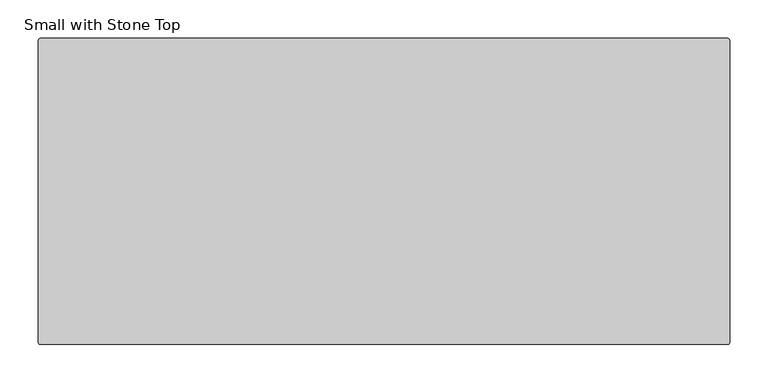
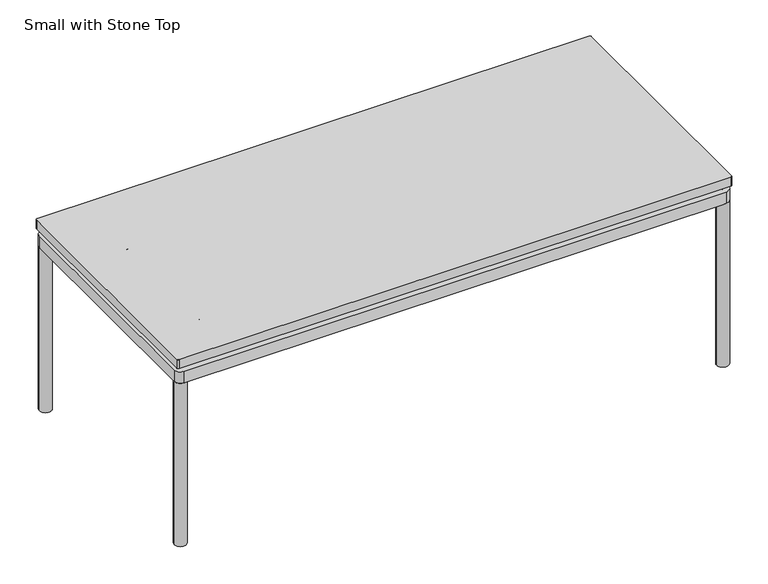
"""IFC4 building model written with IfcOpenShell, lengths in millimetres: furniture geometry, Small with Stone Top."""

from ifc_helpers import new_model, si_unit, point, frame, frame_2d, origin, place, context, project, spatial, polyline, circle_curve, trimmed, segment, composite_curve, outline, extrude, source, transform, mapped, element, save
from ifc_brep_helpers import plane_surface, cylinder_surface, revolved_surface, advanced_brep


def small_with_stone_top_e584b05a(model_context):
    return source(origin(), model_context, "Body", "SolidModel", [
        extrude(outline(composite_curve([segment(trimmed(circle_curve(frame_2d((291.5947118, -95.25)), 2.54), [point((291.5947118, -92.71))], [point((294.1347118, -95.25))], False, "CARTESIAN"), True, "CONTINUOUS"), segment(polyline([(294.1347118, -95.25), (294.1347118, -488.95)]), True, "CONTINUOUS"), segment(trimmed(circle_curve(frame_2d((291.5947118, -488.95)), 2.54), [point((294.1347118, -488.95))], [point((291.5947118, -491.49))], False, "CARTESIAN"), True, "CONTINUOUS"), segment(polyline([(291.5947118, -491.49), (-602.4852882, -491.49)]), True, "CONTINUOUS"), segment(trimmed(circle_curve(frame_2d((-602.4852882, -488.95)), 2.54), [point((-602.4852882, -491.49))], [point((-605.0252882, -488.95))], False, "CARTESIAN"), True, "CONTINUOUS"), segment(polyline([(-605.0252882, -488.95), (-605.0252882, -95.25)]), True, "CONTINUOUS"), segment(trimmed(circle_curve(frame_2d((-602.4852882, -95.25)), 2.54), [point((-605.0252882, -95.25))], [point((-602.4852882, -92.71))], False, "CARTESIAN"), True, "CONTINUOUS"), segment(polyline([(-602.4852882, -92.71), (291.5947118, -92.71)]), True, "CONTINUOUS")], self_intersect=False)), frame((0.0, 0.0, 307.0856929), z_axis=(0.0, 0.0, 1.0), x_axis=(1.0, 0.0, 0.0)), (0.0, 0.0, 1.0), 15.2403071),
        extrude(outline(composite_curve([segment(trimmed(circle_curve(frame_2d((-593.0838099, -104.6599879)), 1.9413078), [point((-595.0251177, -104.6599879))], [point((-593.0838099, -102.7186802))], False, "CARTESIAN"), True, "CONTINUOUS"), segment(polyline([(-593.0838099, -102.7186802), (282.1309315, -102.7186802)]), True, "CONTINUOUS"), segment(trimmed(circle_curve(frame_2d((282.1309315, -104.7258089)), 2.0071288), [point((282.1309315, -102.7186802))], [point((284.1380603, -104.7258089))], False, "CARTESIAN"), True, "CONTINUOUS"), segment(polyline([(284.1380603, -104.7258089), (284.1380603, -479.5002885)]), True, "CONTINUOUS"), segment(trimmed(circle_curve(frame_2d((282.1363356, -479.5002885)), 2.0017246), [point((284.1380603, -479.5002885))], [point((282.1363356, -481.5020131))], False, "CARTESIAN"), True, "CONTINUOUS"), segment(polyline([(282.1363356, -481.5020131), (-595.0251177, -481.5020131), (-595.0251177, -104.6599879)]), True, "CONTINUOUS")], self_intersect=False)), frame((0.0, 0.0, 299.6294223), z_axis=(0.0, 0.0, 1.0), x_axis=(1.0, 0.0, 0.0)), (0.0, 0.0, 1.0), 5.002811),
        advanced_brep(
        [(267.1276141, -117.6971264, 299.6294223), (-578.0202636, -117.6971264, 299.6294223), (-580.0466715, -119.7235343, 299.6294223), (-580.0466715, -464.4689461, 299.6294223), (-577.992051, -466.5235669, 299.6294223), (267.1579775, -466.5237486, 299.6294223), (269.1599045, -464.5218208, 299.6294223), (269.1596141, -119.7291258, 299.6294223), (-565.0231699, -451.5072233, 299.6294223), (-565.0231699, -132.7136516, 299.6294223), (-532.7626081, -132.7136631, 299.6294223), (-532.7626081, -451.5072042, 299.6294223), (-502.5025365, -132.7136738, 299.6294223), (182.0869602, -132.7139167, 299.6294223), (182.0869602, -451.5072042, 299.6294223), (-502.5025365, -451.5072039, 299.6294223), (254.1361125, -451.506969, 299.6294223), (212.3470318, -451.506982, 299.6294223), (212.3470318, -132.7136631, 299.6294223), (254.1358218, -132.7139423, 299.6294223), (267.1276141, -117.6971264, 279.6326959), (269.1596141, -119.7291258, 279.6326959), (269.1599045, -464.5218208, 279.6326959), (267.1579775, -466.5237486, 279.6326959), (-577.992051, -466.5235669, 279.6326959), (-580.0466715, -464.4689461, 279.6326959), (-580.0466715, -119.7235343, 279.6326959), (-578.0202636, -117.6971264, 279.6326959), (254.1361125, -451.506969, 279.6326959), (254.1358218, -132.7139423, 279.6326959), (212.3470318, -132.7139275, 279.6326959), (212.3470318, -451.5072042, 279.6326959), (-565.0231699, -451.5072233, 279.6326959), (-532.7626081, -451.5072133, 279.6326959), (-532.7626081, -132.7136631, 279.6326959), (-565.0231699, -132.7136516, 279.6326959), (182.0869602, -132.7139167, 279.6326959), (-502.5025365, -132.7136738, 279.6326959), (-502.5025365, -451.5072042, 279.6326959), (182.0869602, -451.5069914, 279.6326959)],
        [
            (0, 1),
            (1, 2, circle_curve(frame((-578.0202636, -119.7235343, 299.6294223), z_axis=(0.0, 0.0, 1.0), x_axis=(1.0, 0.0, 0.0)), 2.0264079)),
            (2, 3),
            (3, 4, circle_curve(frame((-577.9920507, -464.4689461, 299.6294223), z_axis=(0.0, 0.0, 1.0), x_axis=(1.0, 0.0, 0.0)), 2.0546208)),
            (4, 5),
            (5, 6, circle_curve(frame((267.1579772, -464.5218214, 299.6294223), z_axis=(0.0, 0.0, 1.0), x_axis=(1.0, 0.0, 0.0)), 2.0019272)),
            (6, 7),
            (7, 0, circle_curve(frame((267.1276141, -119.7291264, 299.6294223), z_axis=(0.0, 0.0, 1.0), x_axis=(1.0, 0.0, 0.0)), 2.032)),
            (8, 9),
            (9, 10),
            (10, 11),
            (11, 8),
            (12, 13),
            (13, 14),
            (14, 15),
            (15, 12),
            (16, 17),
            (17, 18),
            (18, 19),
            (19, 16),
            (20, 21, circle_curve(frame((267.1276141, -119.7291264, 279.6326959), z_axis=(0.0, 0.0, -1.0), x_axis=(1.0, 0.0, 0.0)), 2.032)),
            (21, 22),
            (22, 23, circle_curve(frame((267.1579772, -464.5218214, 279.6326959), z_axis=(0.0, 0.0, -1.0), x_axis=(1.0, 0.0, 0.0)), 2.0019272)),
            (23, 24),
            (24, 25, circle_curve(frame((-577.9920507, -464.4689461, 279.6326959), z_axis=(0.0, 0.0, -1.0), x_axis=(1.0, 0.0, 0.0)), 2.0546208)),
            (25, 26),
            (26, 27, circle_curve(frame((-578.0202636, -119.7235343, 279.6326959), z_axis=(0.0, 0.0, -1.0), x_axis=(1.0, 0.0, 0.0)), 2.0264079)),
            (27, 20),
            (28, 29),
            (29, 30),
            (30, 31),
            (31, 28),
            (32, 33),
            (33, 34),
            (34, 35),
            (35, 32),
            (36, 37),
            (37, 38),
            (38, 39),
            (39, 36),
            (0, 20),
            (27, 1),
            (26, 2),
            (25, 3),
            (24, 4),
            (23, 5),
            (22, 6),
            (21, 7),
            (8, 32),
            (35, 9),
            (12, 37),
            (36, 13),
            (34, 10),
            (29, 19),
            (18, 30),
            (28, 16),
            (14, 39),
            (38, 15),
            (11, 33),
            (31, 17),
        ],
        [
            plane_surface(frame((-578.0202636, -117.6971264, 299.6294223), z_axis=(0.0, 0.0, 1.0), x_axis=(-1.0, 0.0, 0.0))),
            plane_surface(frame((-578.0202636, -117.6971264, 279.6326959), z_axis=(0.0, 0.0, -1.0), x_axis=(1.0, 0.0, 0.0))),
            plane_surface(frame((267.1276141, -117.6971264, 299.6294223), z_axis=(0.0, 1.0, 0.0), x_axis=(0.0, 0.0, -1.0))),
            cylinder_surface(frame((-578.0202636, -119.7235343, 279.6326959), z_axis=(0.0, 0.0, 1.0), x_axis=(1.0, 0.0, 0.0)), 2.0264079),
            plane_surface(frame((-580.0466715, -119.7235343, 299.6294223), z_axis=(-1.0, 0.0, 0.0), x_axis=(0.0, 0.0, -1.0))),
            cylinder_surface(frame((-577.9920507, -464.4689461, 279.6326959), z_axis=(0.0, 0.0, 1.0), x_axis=(1.0, 0.0, 0.0)), 2.0546208),
            plane_surface(frame((-577.992051, -466.5235669, 299.6294223), z_axis=(-2.1495107938605697e-07, -0.9999999999999769, 0.0), x_axis=(0.0, 0.0, -1.0))),
            cylinder_surface(frame((267.1579772, -464.5218214, 279.6326959), z_axis=(0.0, 0.0, 1.0), x_axis=(1.0, 0.0, 0.0)), 2.0019272),
            plane_surface(frame((269.1599045, -464.5218208, 299.6294223), z_axis=(0.9999999999996454, 8.421789670458425e-07, 0.0), x_axis=(0.0, 0.0, -1.0))),
            cylinder_surface(frame((267.1276141, -119.7291264, 279.6326959), z_axis=(0.0, 0.0, 1.0), x_axis=(1.0, 0.0, 0.0)), 2.032),
            plane_surface(frame((-565.0231699, -451.5072233, 299.6294223), z_axis=(1.0, 0.0, 0.0), x_axis=(0.0, 0.0, -1.0))),
            plane_surface(frame((-565.0231699, -132.7136516, 299.6294223), z_axis=(-3.5485165641990404e-07, -0.999999999999937, 0.0), x_axis=(0.0, 0.0, -1.0))),
            plane_surface(frame((254.1358218, -132.7139423, 299.6294223), z_axis=(-0.9999999999995843, -9.118139700497618e-07, 0.0), x_axis=(0.0, 0.0, -1.0))),
            plane_surface(frame((254.1361125, -451.506969, 299.6294223), z_axis=(-3.104950969437019e-07, 0.9999999999999518, 0.0), x_axis=(0.0, 0.0, -1.0))),
            plane_surface(frame((-532.7626081, -132.7136631, 299.6294223), z_axis=(-1.0, 0.0, 0.0), x_axis=(0.0, 0.0, -1.0))),
            plane_surface(frame((-502.5025365, -451.5072042, 299.6294223), z_axis=(1.0, 0.0, 0.0), x_axis=(0.0, 0.0, -1.0))),
            plane_surface(frame((182.0869602, -132.7136631, 299.6294223), z_axis=(-1.0, 0.0, 0.0), x_axis=(0.0, 0.0, -1.0))),
            plane_surface(frame((212.3470318, -451.5072042, 299.6294223), z_axis=(1.0, 0.0, 0.0), x_axis=(0.0, 0.0, -1.0))),
        ],
        [
            (0, [[1, 2, 3, 4, 5, 6, 7, 8], [9, 10, 11, 12], [13, 14, 15, 16], [17, 18, 19, 20]]),
            (1, [[21, 22, 23, 24, 25, 26, 27, 28], [29, 30, 31, 32], [33, 34, 35, 36], [37, 38, 39, 40]]),
            (2, [[-1, 41, -28, 42]]),
            (3, [[-2, -42, -27, 43]]),
            (4, [[-3, -43, -26, 44]]),
            (5, [[-4, -44, -25, 45]]),
            (6, [[-5, -45, -24, 46]]),
            (7, [[-6, -46, -23, 47]]),
            (8, [[-7, -47, -22, 48]]),
            (9, [[-8, -48, -21, -41]]),
            (10, [[-9, 49, -36, 50]]),
            (11, [[-13, 51, -37, 52]]),
            (11, [[-50, -35, 53, -10]]),
            (11, [[54, -19, 55, -30]]),
            (12, [[-20, -54, -29, 56]]),
            (13, [[-15, 57, -39, 58]]),
            (13, [[-49, -12, 59, -33]]),
            (13, [[-56, -32, 60, -17]]),
            (14, [[-11, -53, -34, -59]]),
            (15, [[-16, -58, -38, -51]]),
            (16, [[-14, -52, -40, -57]]),
            (17, [[-18, -60, -31, -55]]),
        ],
    ),
        extrude(outline(composite_curve([segment(trimmed(circle_curve(frame_2d((-534.0870283, -218.2183995)), 0.8405923), [point((-533.7147282, -218.9720493))], [point((-534.7862746, -218.6849293))], False, "CARTESIAN"), True, "CONTINUOUS"), segment(trimmed(circle_curve(frame_2d((-515.5508304, -202.6946527)), 25.0138214), [point((-534.7862746, -218.6849293))], [point((-539.0165383, -211.3578977))], False, "CARTESIAN"), True, "CONTINUOUS"), segment(trimmed(circle_curve(frame_2d((-538.0414872, -211.046606)), 1.0235365), [point((-539.0165383, -211.3578977))], [point((-538.6155102, -210.1991836))], False, "CARTESIAN"), True, "CONTINUOUS"), segment(trimmed(circle_curve(frame_2d((-558.9358484, -180.2005415)), 36.2330605), [point((-538.6155102, -210.1991836))], [point((-522.7960931, -182.7991496))], True, "CARTESIAN"), True, "CONTINUOUS"), segment(trimmed(circle_curve(frame_2d((-521.7765383, -182.8724601)), 1.0221871), [point((-522.7960931, -182.7991496))], [point((-521.9854206, -181.8718429))], False, "CARTESIAN"), True, "CONTINUOUS"), segment(trimmed(circle_curve(frame_2d((-517.7628586, -202.0993497)), 20.6635442), [point((-521.9854206, -181.8718429))], [point((-513.5402966, -181.8718429))], False, "CARTESIAN"), True, "CONTINUOUS"), segment(trimmed(circle_curve(frame_2d((-513.7492648, -182.872872)), 1.0226079), [point((-513.5402966, -181.8718429))], [point((-512.7292996, -182.7994026))], False, "CARTESIAN"), True, "CONTINUOUS"), segment(trimmed(circle_curve(frame_2d((-477.3402021, -180.6341833)), 35.4552732), [point((-512.7292996, -182.7994026))], [point((-496.9098857, -210.1994311))], True, "CARTESIAN"), True, "CONTINUOUS"), segment(trimmed(circle_curve(frame_2d((-497.4226157, -211.0249738)), 0.971809), [point((-496.9098857, -210.1994311))], [point((-496.5128177, -211.366559))], False, "CARTESIAN"), True, "CONTINUOUS"), segment(trimmed(circle_curve(frame_2d((-520.6585547, -202.3010012)), 25.79149), [point((-496.5128177, -211.366559))], [point((-500.7346829, -218.6790439))], False, "CARTESIAN"), True, "CONTINUOUS"), segment(trimmed(circle_curve(frame_2d((-501.4793666, -218.0668907)), 0.9639946), [point((-500.7346829, -218.6790439))], [point((-501.810989, -218.9720493))], False, "CARTESIAN"), True, "CONTINUOUS"), segment(trimmed(circle_curve(frame_2d((-517.7628586, -251.2635341)), 36.0166924), [point((-501.810989, -218.9720493))], [point((-533.7147282, -218.9720493))], True, "CARTESIAN"), True, "CONTINUOUS")], self_intersect=False)), frame((0.0, 0.0, 262.0888903), z_axis=(0.0, 0.0, 1.0), x_axis=(1.0, 0.0, 0.0)), (0.0, 0.0, 1.0), 9.7910462),
        advanced_brep(
        [(-514.9911897, -203.9720928, 306.9117903), (-520.5342368, -203.9720928, 306.9117903), (-513.770496, -203.9720928, 305.6617757), (-521.7549305, -203.9720928, 305.6617757)],
        [
            (0, 1, circle_curve(frame((-517.7627133, -203.9720928, 306.9117903), z_axis=(0.0, 0.0, 1.0), x_axis=(1.0, 0.0, 0.0)), 2.7715235)),
            (1, 0, circle_curve(frame((-517.7627133, -203.9720928, 306.9117903), z_axis=(0.0, 0.0, 1.0), x_axis=(-1.0, 0.0, 0.0)), 2.7715235)),
            (2, 3, circle_curve(frame((-517.7627133, -203.9720928, 305.6617757), z_axis=(0.0, 0.0, -1.0), x_axis=(-1.0, 0.0, 0.0)), 3.9922173)),
            (3, 2, circle_curve(frame((-517.7627133, -203.9720928, 305.6617757), z_axis=(0.0, 0.0, -1.0), x_axis=(1.0, 0.0, 0.0)), 3.9922173)),
            (2, 0),
            (1, 3),
        ],
        [
            plane_surface(frame((-517.7627133, -203.9720928, 306.9117903), z_axis=(0.0, 0.0, 1.0), x_axis=(0.0, 1.0, 0.0))),
            plane_surface(frame((-517.7627133, -203.9720928, 305.6617757), z_axis=(0.0, 0.0, -1.0), x_axis=(0.0, 1.0, 0.0))),
            revolved_surface(polyline([(-520.5342367626376, -203.9720928, 306.9117903), (-521.7549305, -203.9720928, 305.6617757)]), (-517.7627133, -203.9720928, 309.7498853), (0.0, 0.0, -1.0)),
            revolved_surface(polyline([(-514.9911897679392, -203.9720928, 306.9117903), (-513.770496, -203.9720928, 305.6617757)]), (-517.7627133, -203.9720928, 309.7498853), (0.0, 0.0, -1.0)),
        ],
        [
            (0, [[1, 2]]),
            (1, [[3, 4]]),
            (2, [[-3, 5, -2, 6]]),
            (3, [[-4, -6, -1, -5]]),
        ],
    ),
        extrude(outline(composite_curve([segment(trimmed(circle_curve(frame_2d((-517.7627133, -203.9720928)), 3.9922173), [point((-513.770496, -203.9720928))], [point((-521.7549305, -203.9720928))], False, "CARTESIAN"), True, "CONTINUOUS"), segment(trimmed(circle_curve(frame_2d((-517.7627133, -203.9720928)), 3.9922173), [point((-521.7549305, -203.9720928))], [point((-513.770496, -203.9720928))], False, "CARTESIAN"), True, "CONTINUOUS")], self_intersect=False)), frame((0.0, 0.0, 267.0639864), z_axis=(0.0, 0.0, 1.0), x_axis=(1.0, 0.0, 0.0)), (0.0, 0.0, 1.0), 38.5901772),
        extrude(outline(composite_curve([segment(trimmed(circle_curve(frame_2d((-517.7627133, -203.9720928)), 9.4525726), [point((-508.3101406, -203.9720928))], [point((-527.2152859, -203.9720928))], False, "CARTESIAN"), True, "CONTINUOUS"), segment(trimmed(circle_curve(frame_2d((-517.7627133, -203.9720928)), 9.4525726), [point((-527.2152859, -203.9720928))], [point((-508.3101406, -203.9720928))], False, "CARTESIAN"), True, "CONTINUOUS")], self_intersect=False)), frame((0.0, 0.0, 296.9633605), z_axis=(0.0, 0.0, 1.0), x_axis=(1.0, 0.0, 0.0)), (0.0, 0.0, 1.0), 5.0787766),
        extrude(outline(composite_curve([segment(trimmed(circle_curve(frame_2d((-517.7627133, -203.9720928)), 9.4525726), [point((-508.3101406, -203.9720928))], [point((-527.2152859, -203.9720928))], False, "CARTESIAN"), True, "CONTINUOUS"), segment(trimmed(circle_curve(frame_2d((-517.7627133, -203.9720928)), 9.4525726), [point((-527.2152859, -203.9720928))], [point((-508.3101406, -203.9720928))], False, "CARTESIAN"), True, "CONTINUOUS")], self_intersect=False)), frame((0.0, 0.0, 271.8799365), z_axis=(0.0, 0.0, 1.0), x_axis=(1.0, 0.0, 0.0)), (0.0, 0.0, 1.0), 5.0787766),
        extrude(outline(composite_curve([segment(trimmed(circle_curve(frame_2d((-534.0870283, -418.3687649)), 0.8405923), [point((-533.7147282, -419.1224147))], [point((-534.7862746, -418.8352947))], False, "CARTESIAN"), True, "CONTINUOUS"), segment(trimmed(circle_curve(frame_2d((-515.5508304, -402.8450181)), 25.0138214), [point((-534.7862746, -418.8352947))], [point((-539.0165383, -411.5082631))], False, "CARTESIAN"), True, "CONTINUOUS"), segment(trimmed(circle_curve(frame_2d((-538.0414872, -411.1969714)), 1.0235365), [point((-539.0165383, -411.5082631))], [point((-538.6155102, -410.349549))], False, "CARTESIAN"), True, "CONTINUOUS"), segment(trimmed(circle_curve(frame_2d((-558.9358484, -380.3509069)), 36.2330605), [point((-538.6155102, -410.349549))], [point((-522.7960931, -382.949515))], True, "CARTESIAN"), True, "CONTINUOUS"), segment(trimmed(circle_curve(frame_2d((-521.7765383, -383.0228255)), 1.0221871), [point((-522.7960931, -382.949515))], [point((-521.9854206, -382.0222083))], False, "CARTESIAN"), True, "CONTINUOUS"), segment(trimmed(circle_curve(frame_2d((-517.7628586, -402.2497151)), 20.6635442), [point((-521.9854206, -382.0222083))], [point((-513.5402966, -382.0222083))], False, "CARTESIAN"), True, "CONTINUOUS"), segment(trimmed(circle_curve(frame_2d((-513.7492648, -383.0232374)), 1.0226079), [point((-513.5402966, -382.0222083))], [point((-512.7292996, -382.949768))], False, "CARTESIAN"), True, "CONTINUOUS"), segment(trimmed(circle_curve(frame_2d((-477.3402021, -380.7845487)), 35.4552732), [point((-512.7292996, -382.949768))], [point((-496.9098857, -410.3497965))], True, "CARTESIAN"), True, "CONTINUOUS"), segment(trimmed(circle_curve(frame_2d((-497.4226157, -411.1753392)), 0.971809), [point((-496.9098857, -410.3497965))], [point((-496.5128177, -411.5169244))], False, "CARTESIAN"), True, "CONTINUOUS"), segment(trimmed(circle_curve(frame_2d((-520.6585547, -402.4513666)), 25.79149), [point((-496.5128177, -411.5169244))], [point((-500.7346829, -418.8294093))], False, "CARTESIAN"), True, "CONTINUOUS"), segment(trimmed(circle_curve(frame_2d((-501.4793666, -418.2172561)), 0.9639946), [point((-500.7346829, -418.8294093))], [point((-501.810989, -419.1224147))], False, "CARTESIAN"), True, "CONTINUOUS"), segment(trimmed(circle_curve(frame_2d((-517.7628586, -451.4138995)), 36.0166924), [point((-501.810989, -419.1224147))], [point((-533.7147282, -419.1224147))], True, "CARTESIAN"), True, "CONTINUOUS")], self_intersect=False)), frame((0.0, 0.0, 262.0888903), z_axis=(0.0, 0.0, 1.0), x_axis=(1.0, 0.0, 0.0)), (0.0, 0.0, 1.0), 9.7910462),
        advanced_brep(
        [(-514.9911897, -404.1224582, 306.9117903), (-520.5342368, -404.1224582, 306.9117903), (-513.770496, -404.1224582, 305.6617757), (-521.7549305, -404.1224582, 305.6617757)],
        [
            (0, 1, circle_curve(frame((-517.7627133, -404.1224582, 306.9117903), z_axis=(0.0, 0.0, 1.0), x_axis=(1.0, 0.0, 0.0)), 2.7715235)),
            (1, 0, circle_curve(frame((-517.7627133, -404.1224582, 306.9117903), z_axis=(0.0, 0.0, 1.0), x_axis=(-1.0, 0.0, 0.0)), 2.7715235)),
            (2, 3, circle_curve(frame((-517.7627133, -404.1224582, 305.6617757), z_axis=(0.0, 0.0, -1.0), x_axis=(-1.0, 0.0, 0.0)), 3.9922173)),
            (3, 2, circle_curve(frame((-517.7627133, -404.1224582, 305.6617757), z_axis=(0.0, 0.0, -1.0), x_axis=(1.0, 0.0, 0.0)), 3.9922173)),
            (2, 0),
            (1, 3),
        ],
        [
            plane_surface(frame((-517.7627133, -404.1224582, 306.9117903), z_axis=(0.0, 0.0, 1.0), x_axis=(0.0, 1.0, 0.0))),
            plane_surface(frame((-517.7627133, -404.1224582, 305.6617757), z_axis=(0.0, 0.0, -1.0), x_axis=(0.0, 1.0, 0.0))),
            revolved_surface(polyline([(-520.5342367626376, -404.1224582, 306.9117903), (-521.7549305, -404.1224582, 305.6617757)]), (-517.7627133, -404.1224582, 309.7498853), (0.0, 0.0, -1.0)),
            revolved_surface(polyline([(-514.9911897679392, -404.1224582, 306.9117903), (-513.770496, -404.1224582, 305.6617757)]), (-517.7627133, -404.1224582, 309.7498853), (0.0, 0.0, -1.0)),
        ],
        [
            (0, [[1, 2]]),
            (1, [[3, 4]]),
            (2, [[-3, 5, -2, 6]]),
            (3, [[-4, -6, -1, -5]]),
        ],
    ),
        extrude(outline(composite_curve([segment(trimmed(circle_curve(frame_2d((-517.7627133, -404.1224582)), 3.9922173), [point((-513.770496, -404.1224582))], [point((-521.7549305, -404.1224582))], False, "CARTESIAN"), True, "CONTINUOUS"), segment(trimmed(circle_curve(frame_2d((-517.7627133, -404.1224582)), 3.9922173), [point((-521.7549305, -404.1224582))], [point((-513.770496, -404.1224582))], False, "CARTESIAN"), True, "CONTINUOUS")], self_intersect=False)), frame((0.0, 0.0, 267.0639864), z_axis=(0.0, 0.0, 1.0), x_axis=(1.0, 0.0, 0.0)), (0.0, 0.0, 1.0), 38.5901772),
        extrude(outline(composite_curve([segment(trimmed(circle_curve(frame_2d((-517.7627133, -404.1224582)), 9.4525726), [point((-508.3101406, -404.1224582))], [point((-527.2152859, -404.1224582))], False, "CARTESIAN"), True, "CONTINUOUS"), segment(trimmed(circle_curve(frame_2d((-517.7627133, -404.1224582)), 9.4525726), [point((-527.2152859, -404.1224582))], [point((-508.3101406, -404.1224582))], False, "CARTESIAN"), True, "CONTINUOUS")], self_intersect=False)), frame((0.0, 0.0, 296.9633605), z_axis=(0.0, 0.0, 1.0), x_axis=(1.0, 0.0, 0.0)), (0.0, 0.0, 1.0), 5.0787766),
        extrude(outline(composite_curve([segment(trimmed(circle_curve(frame_2d((-517.7627133, -404.1224582)), 9.4525726), [point((-508.3101406, -404.1224582))], [point((-527.2152859, -404.1224582))], False, "CARTESIAN"), True, "CONTINUOUS"), segment(trimmed(circle_curve(frame_2d((-517.7627133, -404.1224582)), 9.4525726), [point((-527.2152859, -404.1224582))], [point((-508.3101406, -404.1224582))], False, "CARTESIAN"), True, "CONTINUOUS")], self_intersect=False)), frame((0.0, 0.0, 271.8799365), z_axis=(0.0, 0.0, 1.0), x_axis=(1.0, 0.0, 0.0)), (0.0, 0.0, 1.0), 5.0787766),
        extrude(outline(composite_curve([segment(trimmed(circle_curve(frame_2d((197.3472823, -451.4138995)), 36.0166924), [point((213.2991519, -419.1224147))], [point((181.3954127, -419.1224147))], True, "CARTESIAN"), True, "CONTINUOUS"), segment(trimmed(circle_curve(frame_2d((181.0637903, -418.2172561)), 0.9639946), [point((181.3954127, -419.1224147))], [point((180.3191066, -418.8294093))], False, "CARTESIAN"), True, "CONTINUOUS"), segment(trimmed(circle_curve(frame_2d((200.2429784, -402.4513666)), 25.79149), [point((180.3191066, -418.8294093))], [point((176.0972414, -411.5169244))], False, "CARTESIAN"), True, "CONTINUOUS"), segment(trimmed(circle_curve(frame_2d((177.0070394, -411.1753392)), 0.971809), [point((176.0972414, -411.5169244))], [point((176.4943094, -410.3497965))], False, "CARTESIAN"), True, "CONTINUOUS"), segment(trimmed(circle_curve(frame_2d((156.9246258, -380.7845487)), 35.4552732), [point((176.4943094, -410.3497965))], [point((192.3137233, -382.949768))], True, "CARTESIAN"), True, "CONTINUOUS"), segment(trimmed(circle_curve(frame_2d((193.3336885, -383.0232374)), 1.0226079), [point((192.3137233, -382.949768))], [point((193.1247203, -382.0222083))], False, "CARTESIAN"), True, "CONTINUOUS"), segment(trimmed(circle_curve(frame_2d((197.3472823, -402.2497151)), 20.6635442), [point((193.1247203, -382.0222083))], [point((201.5698443, -382.0222083))], False, "CARTESIAN"), True, "CONTINUOUS"), segment(trimmed(circle_curve(frame_2d((201.360962, -383.0228255)), 1.0221871), [point((201.5698443, -382.0222083))], [point((202.3805168, -382.949515))], False, "CARTESIAN"), True, "CONTINUOUS"), segment(trimmed(circle_curve(frame_2d((238.5202721, -380.3509069)), 36.2330605), [point((202.3805168, -382.949515))], [point((218.1999339, -410.349549))], True, "CARTESIAN"), True, "CONTINUOUS"), segment(trimmed(circle_curve(frame_2d((217.6259109, -411.1969714)), 1.0235365), [point((218.1999339, -410.349549))], [point((218.600962, -411.5082631))], False, "CARTESIAN"), True, "CONTINUOUS"), segment(trimmed(circle_curve(frame_2d((195.135254, -402.8450181)), 25.0138214), [point((218.600962, -411.5082631))], [point((214.3706983, -418.8352947))], False, "CARTESIAN"), True, "CONTINUOUS"), segment(trimmed(circle_curve(frame_2d((213.671452, -418.3687649)), 0.8405923), [point((214.3706983, -418.8352947))], [point((213.2991519, -419.1224147))], False, "CARTESIAN"), True, "CONTINUOUS")], self_intersect=False)), frame((0.0, 0.0, 262.0888903), z_axis=(0.0, 0.0, 1.0), x_axis=(1.0, 0.0, 0.0)), (0.0, 0.0, 1.0), 9.7910462),
        advanced_brep(
        [(194.5756134, -404.1224582, 306.9117903), (200.1186605, -404.1224582, 306.9117903), (193.3549197, -404.1224582, 305.6617757), (201.3393542, -404.1224582, 305.6617757)],
        [
            (0, 1, circle_curve(frame((197.347137, -404.1224582, 306.9117903), z_axis=(0.0, 0.0, 1.0), x_axis=(-1.0, 0.0, 0.0)), 2.7715235)),
            (1, 0, circle_curve(frame((197.347137, -404.1224582, 306.9117903), z_axis=(0.0, 0.0, 1.0), x_axis=(1.0, 0.0, 0.0)), 2.7715235)),
            (2, 3, circle_curve(frame((197.347137, -404.1224582, 305.6617757), z_axis=(0.0, 0.0, -1.0), x_axis=(1.0, 0.0, 0.0)), 3.9922173)),
            (3, 2, circle_curve(frame((197.347137, -404.1224582, 305.6617757), z_axis=(0.0, 0.0, -1.0), x_axis=(-1.0, 0.0, 0.0)), 3.9922173)),
            (3, 1),
            (0, 2),
        ],
        [
            plane_surface(frame((197.347137, -404.1224582, 306.9117903), z_axis=(0.0, 0.0, 1.0), x_axis=(0.0, -1.0, 0.0))),
            plane_surface(frame((197.347137, -404.1224582, 305.6617757), z_axis=(0.0, 0.0, -1.0), x_axis=(0.0, -1.0, 0.0))),
            revolved_surface(polyline([(194.57561346793923, -404.1224582, 306.9117903), (193.3549197, -404.1224582, 305.6617757)]), (197.347137, -404.1224582, 309.7498853), (0.0, 0.0, -1.0)),
            revolved_surface(polyline([(200.11866046263762, -404.1224582, 306.9117903), (201.3393542, -404.1224582, 305.6617757)]), (197.347137, -404.1224582, 309.7498853), (0.0, 0.0, -1.0)),
        ],
        [
            (0, [[1, 2]]),
            (1, [[3, 4]]),
            (2, [[-4, 5, -1, 6]]),
            (3, [[-3, -6, -2, -5]]),
        ],
    ),
        extrude(outline(composite_curve([segment(trimmed(circle_curve(frame_2d((197.347137, -404.1224582)), 3.9922173), [point((193.3549197, -404.1224582))], [point((201.3393542, -404.1224582))], False, "CARTESIAN"), True, "CONTINUOUS"), segment(trimmed(circle_curve(frame_2d((197.347137, -404.1224582)), 3.9922173), [point((201.3393542, -404.1224582))], [point((193.3549197, -404.1224582))], False, "CARTESIAN"), True, "CONTINUOUS")], self_intersect=False)), frame((0.0, 0.0, 267.0639864), z_axis=(0.0, 0.0, 1.0), x_axis=(1.0, 0.0, 0.0)), (0.0, 0.0, 1.0), 38.5901772),
        extrude(outline(composite_curve([segment(trimmed(circle_curve(frame_2d((197.347137, -404.1224582)), 9.4525726), [point((187.8945643, -404.1224582))], [point((206.7997096, -404.1224582))], False, "CARTESIAN"), True, "CONTINUOUS"), segment(trimmed(circle_curve(frame_2d((197.347137, -404.1224582)), 9.4525726), [point((206.7997096, -404.1224582))], [point((187.8945643, -404.1224582))], False, "CARTESIAN"), True, "CONTINUOUS")], self_intersect=False)), frame((0.0, 0.0, 296.9633605), z_axis=(0.0, 0.0, 1.0), x_axis=(1.0, 0.0, 0.0)), (0.0, 0.0, 1.0), 5.0787766),
        extrude(outline(composite_curve([segment(trimmed(circle_curve(frame_2d((197.347137, -404.1224582)), 9.4525726), [point((187.8945643, -404.1224582))], [point((206.7997096, -404.1224582))], False, "CARTESIAN"), True, "CONTINUOUS"), segment(trimmed(circle_curve(frame_2d((197.347137, -404.1224582)), 9.4525726), [point((206.7997096, -404.1224582))], [point((187.8945643, -404.1224582))], False, "CARTESIAN"), True, "CONTINUOUS")], self_intersect=False)), frame((0.0, 0.0, 271.8799365), z_axis=(0.0, 0.0, 1.0), x_axis=(1.0, 0.0, 0.0)), (0.0, 0.0, 1.0), 5.0787766),
        extrude(outline(composite_curve([segment(trimmed(circle_curve(frame_2d((197.3472823, -251.2635341)), 36.0166924), [point((213.2991519, -218.9720493))], [point((181.3954127, -218.9720493))], True, "CARTESIAN"), True, "CONTINUOUS"), segment(trimmed(circle_curve(frame_2d((181.0637903, -218.0668907)), 0.9639946), [point((181.3954127, -218.9720493))], [point((180.3191066, -218.6790439))], False, "CARTESIAN"), True, "CONTINUOUS"), segment(trimmed(circle_curve(frame_2d((200.2429784, -202.3010012)), 25.79149), [point((180.3191066, -218.6790439))], [point((176.0972414, -211.366559))], False, "CARTESIAN"), True, "CONTINUOUS"), segment(trimmed(circle_curve(frame_2d((177.0070394, -211.0249738)), 0.971809), [point((176.0972414, -211.366559))], [point((176.4943094, -210.1994311))], False, "CARTESIAN"), True, "CONTINUOUS"), segment(trimmed(circle_curve(frame_2d((156.9246258, -180.6341833)), 35.4552732), [point((176.4943094, -210.1994311))], [point((192.3137233, -182.7994026))], True, "CARTESIAN"), True, "CONTINUOUS"), segment(trimmed(circle_curve(frame_2d((193.3336885, -182.872872)), 1.0226079), [point((192.3137233, -182.7994026))], [point((193.1247203, -181.8718429))], False, "CARTESIAN"), True, "CONTINUOUS"), segment(trimmed(circle_curve(frame_2d((197.3472823, -202.0993497)), 20.6635442), [point((193.1247203, -181.8718429))], [point((201.5698443, -181.8718429))], False, "CARTESIAN"), True, "CONTINUOUS"), segment(trimmed(circle_curve(frame_2d((201.360962, -182.8724601)), 1.0221871), [point((201.5698443, -181.8718429))], [point((202.3805168, -182.7991496))], False, "CARTESIAN"), True, "CONTINUOUS"), segment(trimmed(circle_curve(frame_2d((238.5202721, -180.2005415)), 36.2330605), [point((202.3805168, -182.7991496))], [point((218.1999339, -210.1991836))], True, "CARTESIAN"), True, "CONTINUOUS"), segment(trimmed(circle_curve(frame_2d((217.6259109, -211.046606)), 1.0235365), [point((218.1999339, -210.1991836))], [point((218.600962, -211.3578977))], False, "CARTESIAN"), True, "CONTINUOUS"), segment(trimmed(circle_curve(frame_2d((195.135254, -202.6946527)), 25.0138214), [point((218.600962, -211.3578977))], [point((214.3706983, -218.6849293))], False, "CARTESIAN"), True, "CONTINUOUS"), segment(trimmed(circle_curve(frame_2d((213.671452, -218.2183995)), 0.8405923), [point((214.3706983, -218.6849293))], [point((213.2991519, -218.9720493))], False, "CARTESIAN"), True, "CONTINUOUS")], self_intersect=False)), frame((0.0, 0.0, 262.0888903), z_axis=(0.0, 0.0, 1.0), x_axis=(1.0, 0.0, 0.0)), (0.0, 0.0, 1.0), 9.7910462),
        advanced_brep(
        [(194.5756134, -203.9720928, 306.9117903), (200.1186605, -203.9720928, 306.9117903), (193.3549197, -203.9720928, 305.6617757), (201.3393542, -203.9720928, 305.6617757)],
        [
            (0, 1, circle_curve(frame((197.347137, -203.9720928, 306.9117903), z_axis=(0.0, 0.0, 1.0), x_axis=(-1.0, 0.0, 0.0)), 2.7715235)),
            (1, 0, circle_curve(frame((197.347137, -203.9720928, 306.9117903), z_axis=(0.0, 0.0, 1.0), x_axis=(1.0, 0.0, 0.0)), 2.7715235)),
            (2, 3, circle_curve(frame((197.347137, -203.9720928, 305.6617757), z_axis=(0.0, 0.0, -1.0), x_axis=(1.0, 0.0, 0.0)), 3.9922173)),
            (3, 2, circle_curve(frame((197.347137, -203.9720928, 305.6617757), z_axis=(0.0, 0.0, -1.0), x_axis=(-1.0, 0.0, 0.0)), 3.9922173)),
            (3, 1),
            (0, 2),
        ],
        [
            plane_surface(frame((197.347137, -203.9720928, 306.9117903), z_axis=(0.0, 0.0, 1.0), x_axis=(0.0, -1.0, 0.0))),
            plane_surface(frame((197.347137, -203.9720928, 305.6617757), z_axis=(0.0, 0.0, -1.0), x_axis=(0.0, -1.0, 0.0))),
            revolved_surface(polyline([(194.57561346793923, -203.9720928, 306.9117903), (193.3549197, -203.9720928, 305.6617757)]), (197.347137, -203.9720928, 309.7498853), (0.0, 0.0, -1.0)),
            revolved_surface(polyline([(200.11866046263762, -203.9720928, 306.9117903), (201.3393542, -203.9720928, 305.6617757)]), (197.347137, -203.9720928, 309.7498853), (0.0, 0.0, -1.0)),
        ],
        [
            (0, [[1, 2]]),
            (1, [[3, 4]]),
            (2, [[-4, 5, -1, 6]]),
            (3, [[-3, -6, -2, -5]]),
        ],
    ),
        extrude(outline(composite_curve([segment(trimmed(circle_curve(frame_2d((197.347137, -203.9720928)), 3.9922173), [point((193.3549197, -203.9720928))], [point((201.3393542, -203.9720928))], False, "CARTESIAN"), True, "CONTINUOUS"), segment(trimmed(circle_curve(frame_2d((197.347137, -203.9720928)), 3.9922173), [point((201.3393542, -203.9720928))], [point((193.3549197, -203.9720928))], False, "CARTESIAN"), True, "CONTINUOUS")], self_intersect=False)), frame((0.0, 0.0, 267.0639864), z_axis=(0.0, 0.0, 1.0), x_axis=(1.0, 0.0, 0.0)), (0.0, 0.0, 1.0), 38.5901772),
        extrude(outline(composite_curve([segment(trimmed(circle_curve(frame_2d((197.347137, -203.9720928)), 9.4525726), [point((187.8945643, -203.9720928))], [point((206.7997096, -203.9720928))], False, "CARTESIAN"), True, "CONTINUOUS"), segment(trimmed(circle_curve(frame_2d((197.347137, -203.9720928)), 9.4525726), [point((206.7997096, -203.9720928))], [point((187.8945643, -203.9720928))], False, "CARTESIAN"), True, "CONTINUOUS")], self_intersect=False)), frame((0.0, 0.0, 296.9633605), z_axis=(0.0, 0.0, 1.0), x_axis=(1.0, 0.0, 0.0)), (0.0, 0.0, 1.0), 5.0787766),
        extrude(outline(composite_curve([segment(trimmed(circle_curve(frame_2d((197.347137, -203.9720928)), 9.4525726), [point((187.8945643, -203.9720928))], [point((206.7997096, -203.9720928))], False, "CARTESIAN"), True, "CONTINUOUS"), segment(trimmed(circle_curve(frame_2d((197.347137, -203.9720928)), 9.4525726), [point((206.7997096, -203.9720928))], [point((187.8945643, -203.9720928))], False, "CARTESIAN"), True, "CONTINUOUS")], self_intersect=False)), frame((0.0, 0.0, 271.8799365), z_axis=(0.0, 0.0, 1.0), x_axis=(1.0, 0.0, 0.0)), (0.0, 0.0, 1.0), 5.0787766),
        extrude(outline(composite_curve([segment(trimmed(circle_curve(frame_2d((284.1383509, -481.5020858)), 9.92796), [point((274.2103909, -481.5020858))], [point((294.066311, -481.5020858))], False, "CARTESIAN"), True, "CONTINUOUS"), segment(trimmed(circle_curve(frame_2d((284.1383509, -481.5020858)), 9.92796), [point((294.066311, -481.5020858))], [point((274.2103909, -481.5020858))], False, "CARTESIAN"), True, "CONTINUOUS")], self_intersect=False)), frame((0.0, 0.0, -0.0904009), z_axis=(0.0, 0.0, 1.0), x_axis=(1.0, 0.0, 0.0)), (0.0, 0.0, 1.0), 279.7230968),
        extrude(outline(composite_curve([segment(trimmed(circle_curve(frame_2d((-595.0289272, -481.5020858)), 9.92796), [point((-604.9568873, -481.5020858))], [point((-585.1009672, -481.5020858))], False, "CARTESIAN"), True, "CONTINUOUS"), segment(trimmed(circle_curve(frame_2d((-595.0289272, -481.5020858)), 9.92796), [point((-585.1009672, -481.5020858))], [point((-604.9568873, -481.5020858))], False, "CARTESIAN"), True, "CONTINUOUS")], self_intersect=False)), frame((0.0, 0.0, -0.0904009), z_axis=(0.0, 0.0, 1.0), x_axis=(1.0, 0.0, 0.0)), (0.0, 0.0, 1.0), 279.7230968),
        extrude(outline(composite_curve([segment(trimmed(circle_curve(frame_2d((284.1383509, -102.6979142)), 9.92796), [point((274.2103909, -102.6979142))], [point((294.066311, -102.6979142))], False, "CARTESIAN"), True, "CONTINUOUS"), segment(trimmed(circle_curve(frame_2d((284.1383509, -102.6979142)), 9.92796), [point((294.066311, -102.6979142))], [point((274.2103909, -102.6979142))], False, "CARTESIAN"), True, "CONTINUOUS")], self_intersect=False)), frame((0.0, 0.0, -0.0904009), z_axis=(0.0, 0.0, 1.0), x_axis=(1.0, 0.0, 0.0)), (0.0, 0.0, 1.0), 279.7230968),
        extrude(outline(composite_curve([segment(trimmed(circle_curve(frame_2d((-595.0289272, -102.6979142)), 9.92796), [point((-604.9568873, -102.6979142))], [point((-585.1009672, -102.6979142))], False, "CARTESIAN"), True, "CONTINUOUS"), segment(trimmed(circle_curve(frame_2d((-595.0289272, -102.6979142)), 9.92796), [point((-585.1009672, -102.6979142))], [point((-604.9568873, -102.6979142))], False, "CARTESIAN"), True, "CONTINUOUS")], self_intersect=False)), frame((0.0, 0.0, -0.0904009), z_axis=(0.0, 0.0, 1.0), x_axis=(1.0, 0.0, 0.0)), (0.0, 0.0, 1.0), 279.7230968),
        extrude(outline(composite_curve([segment(trimmed(circle_curve(frame_2d((283.9747118, -102.87)), 10.16), [point((283.9747118, -92.71))], [point((294.1347118, -102.87))], False, "CARTESIAN"), True, "CONTINUOUS"), segment(polyline([(294.1347118, -102.87), (294.1347118, -481.33)]), True, "CONTINUOUS"), segment(trimmed(circle_curve(frame_2d((283.9747118, -481.33)), 10.16), [point((294.1347118, -481.33))], [point((283.9747118, -491.49))], False, "CARTESIAN"), True, "CONTINUOUS"), segment(polyline([(283.9747118, -491.49), (-594.8652882, -491.49)]), True, "CONTINUOUS"), segment(trimmed(circle_curve(frame_2d((-594.8652882, -481.33)), 10.16), [point((-594.8652882, -491.49))], [point((-605.0252882, -481.33))], False, "CARTESIAN"), True, "CONTINUOUS"), segment(polyline([(-605.0252882, -481.33), (-605.0252882, -102.87)]), True, "CONTINUOUS"), segment(trimmed(circle_curve(frame_2d((-594.8652882, -102.87)), 10.16), [point((-605.0252882, -102.87))], [point((-594.8652882, -92.71))], False, "CARTESIAN"), True, "CONTINUOUS"), segment(polyline([(-594.8652882, -92.71), (283.9747118, -92.71)]), True, "CONTINUOUS")], self_intersect=False), holes=[composite_curve([segment(polyline([(-593.0265391, -481.5020131), (282.1363356, -481.5020131)]), True, "CONTINUOUS"), segment(trimmed(circle_curve(frame_2d((282.1363356, -479.5002885)), 2.0017246), [point((282.1363356, -481.5020131))], [point((284.1380603, -479.5002885))], True, "CARTESIAN"), True, "CONTINUOUS"), segment(polyline([(284.1380603, -479.5002885), (284.1380603, -104.7258089)]), True, "CONTINUOUS"), segment(trimmed(circle_curve(frame_2d((282.1309315, -104.7258089)), 2.0071288), [point((284.1380603, -104.7258089))], [point((282.1309315, -102.7186802))], True, "CARTESIAN"), True, "CONTINUOUS"), segment(polyline([(282.1309315, -102.7186802), (-593.0838099, -102.7186802)]), True, "CONTINUOUS"), segment(trimmed(circle_curve(frame_2d((-593.0838099, -104.6599879)), 1.9413078), [point((-593.0838099, -102.7186802))], [point((-595.0251177, -104.6599879))], True, "CARTESIAN"), True, "CONTINUOUS"), segment(polyline([(-595.0251177, -104.6599879), (-595.0251177, -479.5034345)]), True, "CONTINUOUS"), segment(trimmed(circle_curve(frame_2d((-593.0265391, -479.5034345)), 1.9985786), [point((-595.0251177, -479.5034345))], [point((-593.0265391, -481.5020131))], True, "CARTESIAN"), True, "CONTINUOUS")], self_intersect=False)]), frame((0.0, 0.0, 279.6326959), z_axis=(0.0, 0.0, 1.0), x_axis=(1.0, 0.0, 0.0)), (0.0, 0.0, 1.0), 19.9967264),
        extrude(outline(composite_curve([segment(polyline([(282.1593838, -480.5034549), (-593.0252152, -480.5034549)]), True, "CONTINUOUS"), segment(trimmed(circle_curve(frame_2d((-593.0252152, -479.502038)), 1.0014169), [point((-593.0252152, -480.5034549))], [point((-594.0266321, -479.502038))], False, "CARTESIAN"), True, "CONTINUOUS"), segment(polyline([(-594.0266321, -479.502038), (-594.0266321, -104.7796333)]), True, "CONTINUOUS"), segment(trimmed(circle_curve(frame_2d((-592.9643099, -104.7796333)), 1.0623222), [point((-594.0266321, -104.7796333))], [point((-592.96431, -103.7173111))], False, "CARTESIAN"), True, "CONTINUOUS"), segment(polyline([(-592.96431, -103.7173111), (282.1479882, -103.7171655)]), True, "CONTINUOUS"), segment(trimmed(circle_curve(frame_2d((282.1479882, -104.708752)), 0.9915865), [point((282.1479882, -103.7171655))], [point((283.1395747, -104.708752))], False, "CARTESIAN"), True, "CONTINUOUS"), segment(polyline([(283.1395747, -104.708752), (283.1395747, -479.523264)]), True, "CONTINUOUS"), segment(trimmed(circle_curve(frame_2d((282.1593838, -479.523264)), 0.9801909), [point((283.1395747, -479.523264))], [point((282.1593838, -480.5034549))], False, "CARTESIAN"), True, "CONTINUOUS")], self_intersect=False), holes=[composite_curve([segment(polyline([(267.1276141, -117.6971264), (-578.0202636, -117.6971264)]), True, "CONTINUOUS"), segment(trimmed(circle_curve(frame_2d((-578.0202636, -119.7235343)), 2.0264079), [point((-578.0202636, -117.6971264))], [point((-580.0466715, -119.7235343))], True, "CARTESIAN"), True, "CONTINUOUS"), segment(polyline([(-580.0466715, -119.7235343), (-580.0466715, -464.4689467)]), True, "CONTINUOUS"), segment(trimmed(circle_curve(frame_2d((-577.9920513, -464.4689467)), 2.0546202), [point((-580.0466715, -464.4689467))], [point((-577.992051, -466.5235669))], True, "CARTESIAN"), True, "CONTINUOUS"), segment(polyline([(-577.992051, -466.5235669), (267.1579778, -466.5237486)]), True, "CONTINUOUS"), segment(trimmed(circle_curve(frame_2d((267.1579778, -464.5218214)), 2.0019272), [point((267.1579778, -466.5237486))], [point((269.159905, -464.5218208))], True, "CARTESIAN"), True, "CONTINUOUS"), segment(polyline([(269.159905, -464.5218208), (269.1596141, -119.7291258)]), True, "CONTINUOUS"), segment(trimmed(circle_curve(frame_2d((267.1276141, -119.7291264)), 2.032), [point((269.1596141, -119.7291258))], [point((267.1276141, -117.6971264))], True, "CARTESIAN"), True, "CONTINUOUS")], self_intersect=False)]), frame((0.0, 0.0, 279.6326959), z_axis=(0.0, 0.0, 1.0), x_axis=(1.0, 0.0, 0.0)), (0.0, 0.0, 1.0), 19.9967264),
    ])


if __name__ == "__main__":
    model = new_model("IFC4")
    model_context = context("Model", 3, world=origin())
    ifc_project = project(units=[si_unit("LENGTHUNIT", "METRE", prefix="MILLI")], contexts=[model_context])
    site = spatial("IfcSite", under=ifc_project)
    building = spatial("IfcBuilding", under=site)
    placement = place(None, origin())
    small_with_stone_top_shape = small_with_stone_top_e584b05a(model_context)
    element("IfcFurniture", 1, ObjectType="Small with Stone Top", at=placement, inside=building, context=model_context, shape_type="MappedRepresentation", body=[
        mapped(small_with_stone_top_shape, transform((0.0, 0.0, 0.0), x_axis=(1.0, 0.0, 0.0), y_axis=(0.0, 1.0, 0.0), z_axis=(0.0, 0.0, 1.0))),
    ])
    save(model, "model.ifc")
